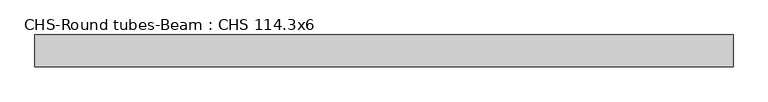
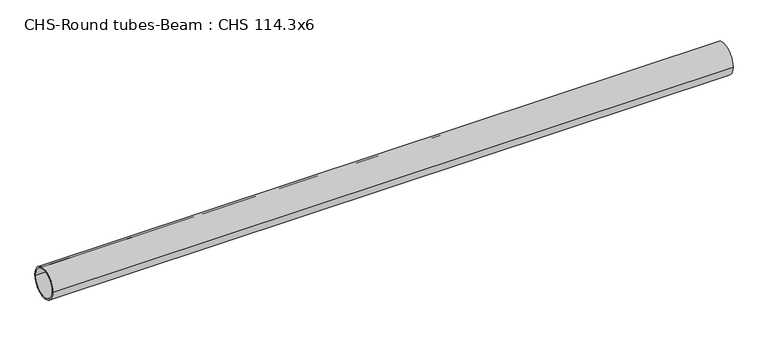
"""IFC4 building model written with IfcOpenShell, lengths in millimetres: beam geometry, CHS-Round tubes-Beam : CHS 114.3x6."""

import ifcopenshell
import ifcopenshell.guid

model = None  # the IFC model being written
_history = None  # IfcOwnerHistory: only IFC2X3 demands one
_inside = {}  # id of a spatial element -> (the spatial element, [elements in it])
_under = {}  # id of a project, library or spatial element -> (it, [spatial elements below it])
_declared = {}  # id of a project -> (the project, [libraries it declares])
_typed = {}  # id of a type object -> (the type object, [elements of that type])
_made_of = {}  # id of a material, layer set ... -> (it, [elements and type objects made of it])


def new_model(schema):
    """Start an empty IFC model of exactly this schema.

    Asked for "IFC4X3", IfcOpenShell would pick the latest addendum, in which some entities
    have other attributes; the version numbers below select the first issue.
    IFC2X3 requires an IfcOwnerHistory on every rooted entity: one is made here for all.
    """
    global model, _history
    if schema == "IFC4X3":
        model = ifcopenshell.file(schema_version=(4, 3, 0, 0))
    else:
        model = ifcopenshell.file(schema=schema)
    _inside.clear()
    _under.clear()
    _declared.clear()
    _typed.clear()
    _made_of.clear()
    _history = None
    if model.schema == "IFC2X3":
        org = make("IfcOrganization", Name="unknown")
        user = make(
            "IfcPersonAndOrganization",
            ThePerson=make("IfcPerson", FamilyName="unknown"),
            TheOrganization=org,
        )
        app = make(
            "IfcApplication",
            ApplicationDeveloper=org,
            Version="unknown",
            ApplicationFullName="unknown",
            ApplicationIdentifier="unknown",
        )
        _history = make(
            "IfcOwnerHistory",
            OwningUser=user,
            OwningApplication=app,
            ChangeAction="ADDED",
            CreationDate=0,
        )
    return model


def make(cls, **values):
    """One entity of the class cls with the attributes given. An attribute that is None is left unset."""
    return model.create_entity(
        cls, **{name: value for name, value in values.items() if value is not None}
    )


def rooted(cls, **values):
    """An entity with a GlobalId (a new one), such as an element, a storey or a relation."""
    return make(cls, GlobalId=ifcopenshell.guid.new(), OwnerHistory=_history, **values)


def si_unit(unit_type, name, prefix=None):
    """IfcSIUnit, for example si_unit("LENGTHUNIT", "METRE", prefix="MILLI")."""
    return make("IfcSIUnit", UnitType=unit_type, Prefix=prefix, Name=name)


def assignment(units):
    """IfcUnitAssignment: the units of a project."""
    return None if units is None else make("IfcUnitAssignment", Units=units)


def point(xyz):
    """IfcCartesianPoint."""
    return None if xyz is None else make("IfcCartesianPoint", Coordinates=xyz)


def direction(xyz):
    """IfcDirection."""
    return None if xyz is None else make("IfcDirection", DirectionRatios=xyz)


def frame(location, z_axis=None, x_axis=None):
    """IfcAxis2Placement3D, a coordinate frame: its origin and axes. An axis left out is left unset."""
    return make(
        "IfcAxis2Placement3D",
        Location=point(location),
        Axis=direction(z_axis),
        RefDirection=direction(x_axis),
    )


def frame_2d(location, x_axis=None):
    """IfcAxis2Placement2D, a coordinate frame in the plane: its origin and x axis."""
    return make(
        "IfcAxis2Placement2D", Location=point(location), RefDirection=direction(x_axis)
    )


def origin():
    """The frame at (0, 0, 0) with its axes left unset."""
    return frame((0.0, 0.0, 0.0))


def origin_2d():
    """The frame at (0, 0) in the plane with its x axis left unset."""
    return frame_2d((0.0, 0.0))


def place(relative_to, where):
    """IfcLocalPlacement: puts the frame where relative to a parent placement (None: the world)."""
    return make(
        "IfcLocalPlacement", PlacementRelTo=relative_to, RelativePlacement=where
    )


def context(
    kind, dimensions, precision=None, world=None, true_north=None, identifier=None
):
    """IfcGeometricRepresentationContext, for example the 3D "Model" context."""
    return make(
        "IfcGeometricRepresentationContext",
        ContextIdentifier=identifier,
        ContextType=kind,
        CoordinateSpaceDimension=dimensions,
        Precision=precision,
        WorldCoordinateSystem=world,
        TrueNorth=true_north,
    )


def project(units=None, contexts=None):
    """IfcProject with its units and contexts."""
    return rooted(
        "IfcProject",
        Name="project",
        RepresentationContexts=contexts,
        UnitsInContext=assignment(units),
    )


def spatial(cls, under=None, at=None, **own):
    """A site, building, storey or space (cls), placed at a placement, below another one or the project."""
    s = rooted(cls, ObjectPlacement=at, **own)
    if under is not None:
        _under.setdefault(under.id(), (under, []))[1].append(s)
    return s


def circle_curve(where, radius):
    """IfcCircle in the frame where."""
    return make("IfcCircle", Position=where, Radius=radius)


def trimmed(basis, trim1, trim2, sense, master):
    """IfcTrimmedCurve: the piece of a basis curve between two trims."""
    return make(
        "IfcTrimmedCurve",
        BasisCurve=basis,
        Trim1=trim1,
        Trim2=trim2,
        SenseAgreement=sense,
        MasterRepresentation=master,
    )


def segment(curve, same_sense, transition):
    """IfcCompositeCurveSegment."""
    return make(
        "IfcCompositeCurveSegment",
        Transition=transition,
        SameSense=same_sense,
        ParentCurve=curve,
    )


def composite_curve(segments, self_intersect=None):
    """IfcCompositeCurve: segments joined end to end."""
    return make("IfcCompositeCurve", Segments=segments, SelfIntersect=self_intersect)


def outline(outer, holes=None, kind="AREA"):
    """IfcArbitraryClosedProfileDef: a profile drawn as a closed curve; with holes, ...WithVoids."""
    if holes is None:
        return make("IfcArbitraryClosedProfileDef", ProfileType=kind, OuterCurve=outer)
    return make(
        "IfcArbitraryProfileDefWithVoids",
        ProfileType=kind,
        OuterCurve=outer,
        InnerCurves=holes,
    )


def extrude(swept, where, along, depth):
    """IfcExtrudedAreaSolid: the profile swept, set in the frame where, extruded along a direction by depth."""
    return make(
        "IfcExtrudedAreaSolid",
        SweptArea=swept,
        Position=where,
        ExtrudedDirection=direction(along),
        Depth=depth,
    )


def shape(context_of_items, identifier, shape_type, items):
    """IfcShapeRepresentation: the items that make up one representation, for example the "Body"."""
    return make(
        "IfcShapeRepresentation",
        ContextOfItems=context_of_items,
        RepresentationIdentifier=identifier,
        RepresentationType=shape_type,
        Items=items,
    )


def source(mapping_origin, context_of_items, identifier, shape_type, items):
    """IfcRepresentationMap: a shape defined once, which mapped items show again and again."""
    return make(
        "IfcRepresentationMap",
        MappingOrigin=mapping_origin,
        MappedRepresentation=shape(context_of_items, identifier, shape_type, items),
    )


def transform(
    local_origin,
    x_axis=None,
    y_axis=None,
    z_axis=None,
    scale=None,
    scale2=None,
    scale3=None,
    uniform=True,
):
    """IfcCartesianTransformationOperator3D, or its non-uniform kind. x_axis, y_axis, z_axis: its Axis1, 2, 3."""
    if uniform:
        return make(
            "IfcCartesianTransformationOperator3D",
            Axis1=direction(x_axis),
            Axis2=direction(y_axis),
            LocalOrigin=point(local_origin),
            Scale=scale,
            Axis3=direction(z_axis),
        )
    return make(
        "IfcCartesianTransformationOperator3DnonUniform",
        Axis1=direction(x_axis),
        Axis2=direction(y_axis),
        LocalOrigin=point(local_origin),
        Scale=scale,
        Axis3=direction(z_axis),
        Scale2=scale2,
        Scale3=scale3,
    )


def mapped(mapping_source, mapping_target):
    """IfcMappedItem: shows the shape of a source again, moved by a transform."""
    return make(
        "IfcMappedItem", MappingSource=mapping_source, MappingTarget=mapping_target
    )


def made_of(thing, what):
    """Note that an element or type object is made of a material, layer set ...; save() writes the relation."""
    if what is not None:
        _made_of.setdefault(what.id(), (what, []))[1].append(thing)
    return thing


def element(
    cls,
    number,
    at=None,
    inside=None,
    cuts=None,
    type_object=None,
    material=None,
    context=None,
    identifier="Body",
    shape_type=None,
    held_by="IfcProductDefinitionShape",
    body=None,
    shapes=None,
    **own,
):
    """One element of the class cls, such as IfcWall. Its Tag is "e" and its number.

    at: its placement. inside: the storey or other place that contains it. cuts: it is an
    opening in that element (IfcRelVoidsElement). A single representation is given by context,
    identifier, shape_type and body (its items); several are given by shapes. held_by: the class
    of the entity that holds the representations. save() writes the other relations.
    """
    e = rooted(cls, Tag="e%d" % number, ObjectPlacement=at, **own)
    if body is not None:
        shapes = [shape(context, identifier, shape_type, body)]
    if shapes is not None:
        e.Representation = make(held_by, Representations=shapes)
    if inside is not None:
        _inside.setdefault(inside.id(), (inside, []))[1].append(e)
    if cuts is not None:
        rooted(
            "IfcRelVoidsElement", RelatingBuildingElement=cuts, RelatedOpeningElement=e
        )
    if type_object is not None:
        _typed.setdefault(type_object.id(), (type_object, []))[1].append(e)
    return made_of(e, material)


def aggregate(whole, parts):
    """IfcRelAggregates: a whole, such as a stair, and the parts it consists of."""
    return rooted("IfcRelAggregates", RelatingObject=whole, RelatedObjects=parts)


def save(model, path):
    """Write the relations noted so far, then the file.

    IfcRelAggregates (storeys below a building ...), IfcRelContainedInSpatialStructure (elements
    in a storey), IfcRelDefinesByType, IfcRelAssociatesMaterial and IfcRelDeclares: one each for
    every whole, place, type object, material and project.
    """
    for whole, parts in _under.values():
        aggregate(whole, parts)
    for where, things in _inside.values():
        rooted(
            "IfcRelContainedInSpatialStructure",
            RelatedElements=things,
            RelatingStructure=where,
        )
    for kind, things in _typed.values():
        rooted("IfcRelDefinesByType", RelatedObjects=things, RelatingType=kind)
    for what, things in _made_of.values():
        rooted("IfcRelAssociatesMaterial", RelatedObjects=things, RelatingMaterial=what)
    for by, libraries in _declared.values():
        rooted("IfcRelDeclares", RelatingContext=by, RelatedDefinitions=libraries)
    model.write(path)


def chs_round_tubes_beam_chs_114_3x6_f4aa557c(model_context):
    return source(origin(), model_context, "Body", "SweptSolid", [
        extrude(outline(composite_curve([segment(trimmed(circle_curve(origin_2d(), 57.15), [point((57.15, 0.0))], [point((-57.15, 0.0))], False, "CARTESIAN"), True, "CONTINUOUS"), segment(trimmed(circle_curve(origin_2d(), 57.15), [point((-57.15, 0.0))], [point((57.15, 0.0))], False, "CARTESIAN"), True, "CONTINUOUS")], self_intersect=False), holes=[composite_curve([segment(trimmed(circle_curve(origin_2d(), 51.15), [point((51.15, 0.0))], [point((-51.15, 0.0))], True, "CARTESIAN"), True, "CONTINUOUS"), segment(trimmed(circle_curve(origin_2d(), 51.15), [point((-51.15, 0.0))], [point((51.15, 0.0))], True, "CARTESIAN"), True, "CONTINUOUS")], self_intersect=False)]), frame((-1219.7577048, 0.0, 0.0), z_axis=(1.0, 0.0, 0.0), x_axis=(0.0, 1.0, 0.0)), (0.0, 0.0, 1.0), 2519.2350517),
    ])


if __name__ == "__main__":
    model = new_model("IFC4")
    model_context = context("Model", 3, world=origin())
    ifc_project = project(units=[si_unit("LENGTHUNIT", "METRE", prefix="MILLI")], contexts=[model_context])
    site = spatial("IfcSite", under=ifc_project)
    building = spatial("IfcBuilding", under=site)
    placement = place(None, origin())
    chs_round_tubes_beam_chs_114_3x6_shape = chs_round_tubes_beam_chs_114_3x6_f4aa557c(model_context)
    element("IfcBeam", 1, ObjectType="CHS-Round tubes-Beam : CHS 114.3x6", at=placement, inside=building, context=model_context, shape_type="MappedRepresentation", body=[
        mapped(chs_round_tubes_beam_chs_114_3x6_shape, transform((0.0, 0.0, 0.0), x_axis=(1.0, 0.0, 0.0), y_axis=(0.0, 1.0, 0.0), z_axis=(0.0, 0.0, 1.0))),
    ])
    save(model, "model.ifc")
